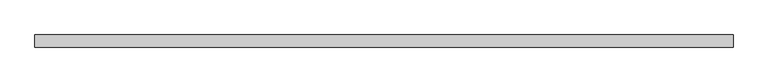
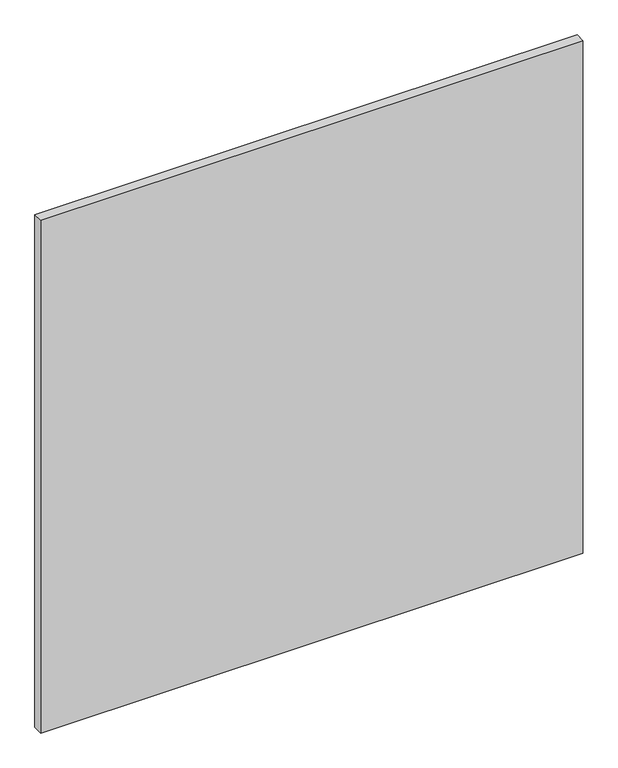
"""IFC4 building model written with IfcOpenShell, lengths in millimetres: plate geometry."""

from ifc_helpers import new_model, si_unit, origin, origin_with_axes, place, context, project, spatial, polyline, outline, extrude, source, transform, mapped, element, save


def plate_bad6aac0(model_context):
    return source(origin(), model_context, "Body", "SweptSolid", [
        extrude(outline(polyline([(704.453125, 12.7), (704.453125, -12.7), (-704.453125, -12.7), (-704.453125, 12.7), (704.453125, 12.7)])), origin_with_axes(), (0.0, 0.0, 1.0), 1408.90625),
    ])


if __name__ == "__main__":
    model = new_model("IFC4")
    model_context = context("Model", 3, world=origin())
    ifc_project = project(units=[si_unit("LENGTHUNIT", "METRE", prefix="MILLI")], contexts=[model_context])
    site = spatial("IfcSite", under=ifc_project)
    building = spatial("IfcBuilding", under=site)
    placement = place(None, origin())
    plate_shape = plate_bad6aac0(model_context)
    element("IfcPlate", 1, at=placement, inside=building, context=model_context, shape_type="MappedRepresentation", body=[
        mapped(plate_shape, transform((0.0, 0.0, 0.0), x_axis=(1.0, 0.0, 0.0), y_axis=(0.0, 1.0, 0.0), z_axis=(0.0, 0.0, 1.0))),
    ])
    save(model, "model.ifc")
